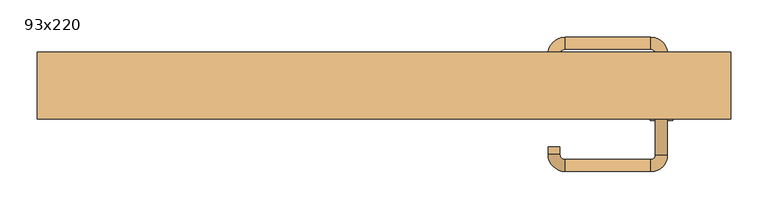
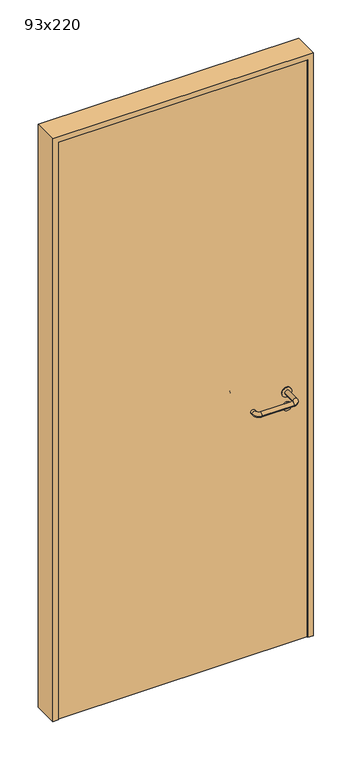
"""IFC4 building model written with IfcOpenShell, lengths in millimetres: door geometry, 93x220."""

from ifc_helpers import new_model, si_unit, point, frame, frame_2d, origin, origin_with_axes, place, context, project, spatial, polyline, circle_curve, ellipse_curve, trimmed, segment, composite_curve, outline, extrude, source, transform, mapped, element, save
from ifc_brep_helpers import plane_surface, cylinder_surface, revolved_surface, advanced_brep


def door_93x220_f017c5f7(model_context):
    return source(origin(), model_context, "Body", "SolidModel", [
        extrude(outline(composite_curve([segment(trimmed(circle_curve(frame_2d((897.3605726, 372.0)), 15.0), [point((897.3605726, 387.0))], [point((897.3605726, 357.0))], False, "CARTESIAN"), True, "CONTINUOUS"), segment(trimmed(circle_curve(frame_2d((897.3605726, 372.0)), 15.0), [point((897.3605726, 357.0))], [point((897.3605726, 387.0))], False, "CARTESIAN"), True, "CONTINUOUS")], self_intersect=False), holes=[composite_curve([segment(trimmed(circle_curve(frame_2d((892.5833211, 371.9398032)), 2.0), [point((892.5833211, 373.9398032))], [point((892.5833211, 369.9398032))], True, "CARTESIAN"), True, "CONTINUOUS"), segment(polyline([(892.5833211, 369.9398032), (902.5833211, 369.9398032)]), True, "CONTINUOUS"), segment(trimmed(circle_curve(frame_2d((902.5833211, 371.9398032)), 2.0), [point((902.5833211, 369.9398032))], [point((902.5833211, 373.9398032))], True, "CARTESIAN"), True, "CONTINUOUS"), segment(polyline([(902.5833211, 373.9398032), (892.5833211, 373.9398032)]), True, "CONTINUOUS")], self_intersect=False)]), frame((0.0, -15.0, 0.0), z_axis=(0.0, 1.0, 0.0), x_axis=(0.0, 0.0, 1.0)), (0.0, 0.0, 1.0), 6.35),
        extrude(outline(composite_curve([segment(trimmed(circle_curve(frame_2d((950.0, 372.0)), 17.526), [point((950.0, 389.526))], [point((950.0, 354.474))], False, "CARTESIAN"), True, "CONTINUOUS"), segment(trimmed(circle_curve(frame_2d((950.0, 372.0)), 17.526), [point((950.0, 354.474))], [point((950.0, 389.526))], False, "CARTESIAN"), True, "CONTINUOUS")], self_intersect=False)), frame((0.0, -15.0, 0.0), z_axis=(0.0, 1.0, 0.0), x_axis=(0.0, 0.0, 1.0)), (0.0, 0.0, 1.0), 3.175),
        advanced_brep(
        [(380.0, -15.0, 950.0), (364.0, -15.0, 950.0), (380.0, 38.0, 950.0), (364.0, 38.0, 950.0), (357.8578644, 44.1421356, 950.0), (357.8578644, 60.1421356, 950.0), (242.8578644, 60.1421356, 950.0), (242.8578644, 44.1421356, 950.0), (236.008622, 37.2928932, 950.0), (220.008622, 37.2928932, 950.0), (220.008622, 27.2928932, 950.0), (236.008622, 27.2928932, 950.0)],
        [
            (0, 1, circle_curve(frame((372.0, -15.0, 950.0), z_axis=(0.0, -1.0, 0.0), x_axis=(-1.0, 0.0, 0.0)), 8.0)),
            (1, 0, circle_curve(frame((372.0, -15.0, 950.0), z_axis=(0.0, -1.0, 0.0), x_axis=(-1.0, 0.0, 0.0)), 8.0)),
            (0, 2),
            (2, 3, circle_curve(frame((372.0, 38.0, 950.0), z_axis=(0.0, -1.0, 0.0), x_axis=(-1.0, 0.0, 0.0)), 8.0)),
            (3, 1),
            (3, 2, circle_curve(frame((372.0, 38.0, 950.0), z_axis=(0.0, -1.0, 0.0), x_axis=(-1.0, 0.0, 0.0)), 8.0)),
            (4, 3, circle_curve(frame((357.8578644, 38.0, 950.0), z_axis=(0.0, 0.0, -1.0), x_axis=(1.0, 0.0, 0.0)), 6.1421356)),
            (2, 5, circle_curve(frame((357.8578644, 38.0, 950.0), z_axis=(0.0, 0.0, 1.0), x_axis=(1.0, 0.0, 0.0)), 22.1421356)),
            (5, 4, circle_curve(frame((357.8578644, 52.1421356, 950.0), z_axis=(1.0, 0.0, 0.0), x_axis=(0.0, -1.0, 0.0)), 8.0)),
            (4, 5, circle_curve(frame((357.8578644, 52.1421356, 950.0), z_axis=(1.0, 0.0, 0.0), x_axis=(0.0, -1.0, 0.0)), 8.0)),
            (5, 6),
            (6, 7, circle_curve(frame((242.8578644, 52.1421356, 950.0), z_axis=(1.0, 0.0, 0.0), x_axis=(0.0, -1.0, 0.0)), 8.0)),
            (7, 4),
            (7, 6, circle_curve(frame((242.8578644, 52.1421356, 950.0), z_axis=(1.0, 0.0, 0.0), x_axis=(0.0, -1.0, 0.0)), 8.0)),
            (8, 7, circle_curve(frame((242.8578644, 37.2928932, 950.0), z_axis=(0.0, 0.0, -1.0), x_axis=(0.0, 1.0, 0.0)), 6.8492424)),
            (6, 9, circle_curve(frame((242.8578644, 37.2928932, 950.0), z_axis=(0.0, 0.0, 1.0), x_axis=(0.0, 1.0, 0.0)), 22.8492424)),
            (9, 8, circle_curve(frame((228.008622, 37.2928932, 950.0), z_axis=(0.0, 1.0, 0.0), x_axis=(1.0, 0.0, 0.0)), 8.0)),
            (8, 9, circle_curve(frame((228.008622, 37.2928932, 950.0), z_axis=(0.0, 1.0, 0.0), x_axis=(1.0, 0.0, 0.0)), 8.0)),
            (10, 11, circle_curve(frame((228.008622, 27.2928932, 950.0), z_axis=(0.0, -1.0, 0.0), x_axis=(1.0, 0.0, 0.0)), 8.0)),
            (11, 10, circle_curve(frame((228.008622, 27.2928932, 950.0), z_axis=(0.0, -1.0, 0.0), x_axis=(1.0, 0.0, 0.0)), 8.0)),
            (9, 10),
            (11, 8),
        ],
        [
            plane_surface(frame((372.0, -15.0, 0.0), z_axis=(0.0, -1.0, 0.0), x_axis=(0.0, 0.0, 1.0))),
            cylinder_surface(frame((372.0, -15.0, 950.0), z_axis=(0.0, -1.0, 0.0), x_axis=(-1.0, 0.0, 0.0)), 8.0),
            revolved_surface(trimmed(ellipse_curve(frame((372.0, 38.0, 950.0), z_axis=(0.0, -1.0, 0.0), x_axis=(-1.0, 0.0, 0.0)), 8.0, 8.0), [point((380.0, 38.0, 950.0))], [point((364.0, 38.0, 950.0))], True, "CARTESIAN"), (357.8578644, 38.0, 0.0), (0.0, 0.0, 1.0)),
            revolved_surface(trimmed(ellipse_curve(frame((372.0, 38.0, 950.0), z_axis=(0.0, -1.0, 0.0), x_axis=(-1.0, 0.0, 0.0)), 8.0, 8.0), [point((364.0, 38.0, 950.0))], [point((380.0, 38.0, 950.0))], True, "CARTESIAN"), (357.8578644, 38.0, 0.0), (0.0, 0.0, 1.0)),
            cylinder_surface(frame((357.8578644, 52.1421356, 950.0), z_axis=(1.0, 0.0, 0.0), x_axis=(0.0, -1.0, 0.0)), 8.0),
            revolved_surface(trimmed(ellipse_curve(frame((242.8578644, 52.1421356, 950.0), z_axis=(1.0, 0.0, 0.0), x_axis=(0.0, -1.0, 0.0)), 8.0, 8.0), [point((242.8578644, 60.1421356, 950.0))], [point((242.8578644, 44.1421356, 950.0))], True, "CARTESIAN"), (242.8578644, 37.2928932, 0.0), (0.0, 0.0, 1.0)),
            revolved_surface(trimmed(ellipse_curve(frame((242.8578644, 52.1421356, 950.0), z_axis=(1.0, 0.0, 0.0), x_axis=(0.0, -1.0, 0.0)), 8.0, 8.0), [point((242.8578644, 44.1421356, 950.0))], [point((242.8578644, 60.1421356, 950.0))], True, "CARTESIAN"), (242.8578644, 37.2928932, 0.0), (0.0, 0.0, 1.0)),
            plane_surface(frame((228.008622, 27.2928932, 0.0), z_axis=(0.0, -1.0, 0.0), x_axis=(0.0, 0.0, 1.0))),
            cylinder_surface(frame((228.008622, 37.2928932, 950.0), z_axis=(0.0, 1.0, 0.0), x_axis=(1.0, 0.0, 0.0)), 8.0),
        ],
        [
            (0, [[1, 2]]),
            (1, [[-1, 3, 4, 5]]),
            (1, [[-2, -5, 6, -3]]),
            (2, [[7, -4, 8, 9]]),
            (3, [[-8, -6, -7, 10]]),
            (4, [[-9, 11, 12, 13]]),
            (4, [[-10, -13, 14, -11]]),
            (5, [[15, -12, 16, 17]]),
            (6, [[-16, -14, -15, 18]]),
            (7, [[19, 20]]),
            (8, [[-17, 21, -20, 22]]),
            (8, [[-18, -22, -19, -21]]),
        ],
    ),
        extrude(outline(composite_curve([segment(trimmed(circle_curve(frame_2d((0.0, 15.0)), 15.0), [point((0.0, 30.0))], [point((0.0, 0.0))], False, "CARTESIAN"), True, "CONTINUOUS"), segment(trimmed(circle_curve(frame_2d((0.0, 15.0)), 15.0), [point((0.0, 0.0))], [point((0.0, 30.0))], False, "CARTESIAN"), True, "CONTINUOUS")], self_intersect=False), holes=[composite_curve([segment(trimmed(circle_curve(frame_2d((-4.7772515, 14.9398032)), 2.0), [point((-4.7772515, 16.9398032))], [point((-4.7772515, 12.9398032))], True, "CARTESIAN"), True, "CONTINUOUS"), segment(polyline([(-4.7772515, 12.9398032), (5.2227485, 12.9398032)]), True, "CONTINUOUS"), segment(trimmed(circle_curve(frame_2d((5.2227485, 14.9398032)), 2.0), [point((5.2227485, 12.9398032))], [point((5.2227485, 16.9398032))], True, "CARTESIAN"), True, "CONTINUOUS"), segment(polyline([(5.2227485, 16.9398032), (-4.7772515, 16.9398032)]), True, "CONTINUOUS")], self_intersect=False)]), frame((357.0, -51.35, 897.3605726), z_axis=(-1.8870575173328306e-12, 1.0, 0.0), x_axis=(0.0, 0.0, 1.0)), (0.0, 0.0, 1.0), 6.35),
        extrude(outline(composite_curve([segment(trimmed(circle_curve(frame_2d((0.0, 17.526)), 17.526), [point((0.0, 35.052))], [point((0.0, 0.0))], False, "CARTESIAN"), True, "CONTINUOUS"), segment(trimmed(circle_curve(frame_2d((0.0, 17.526)), 17.526), [point((0.0, 0.0))], [point((0.0, 35.052))], False, "CARTESIAN"), True, "CONTINUOUS")], self_intersect=False)), frame((354.474, -48.175, 950.0), z_axis=(-1.8870575173328306e-12, 1.0, 0.0), x_axis=(0.0, 0.0, 1.0)), (0.0, 0.0, 1.0), 3.175),
        advanced_brep(
        [(380.0, -45.0, 950.0), (364.0, -45.0, 950.0), (364.0, -98.0, 950.0), (380.0, -98.0, 950.0), (357.8578644, -104.1421356, 950.0), (357.8578644, -120.1421356, 950.0), (242.8578644, -104.1421356, 950.0), (242.8578644, -120.1421356, 950.0), (236.008622, -97.2928932, 950.0), (220.008622, -97.2928932, 950.0), (220.008622, -87.2928932, 950.0), (236.008622, -87.2928932, 950.0)],
        [
            (0, 1, circle_curve(frame((372.0, -45.0, 950.0), z_axis=(-1.888672253512351e-12, 1.0, 0.0), x_axis=(-1.0, -1.888672253512351e-12, 0.0)), 8.0)),
            (1, 0, circle_curve(frame((372.0, -45.0, 950.0), z_axis=(-1.888672253512351e-12, 1.0, 0.0), x_axis=(-1.0, -1.888672253512351e-12, 0.0)), 8.0)),
            (1, 2),
            (2, 3, circle_curve(frame((372.0, -98.0, 950.0), z_axis=(-1.888672253512351e-12, 1.0, 0.0), x_axis=(-1.0, -1.888672253512351e-12, 0.0)), 8.0)),
            (3, 0),
            (3, 2, circle_curve(frame((372.0, -98.0, 950.0), z_axis=(-1.888672253512351e-12, 1.0, 0.0), x_axis=(-1.0, -1.888672253512351e-12, 0.0)), 8.0)),
            (4, 5, circle_curve(frame((357.8578644, -112.1421356, 950.0), z_axis=(1.0, 1.913702061528922e-12, 0.0), x_axis=(-1.913702061528922e-12, 1.0, 0.0)), 8.0)),
            (5, 3, circle_curve(frame((357.8578644, -98.0, 950.0), z_axis=(0.0, 0.0, 1.0), x_axis=(1.0, 1.880717803715015e-12, 0.0)), 22.1421356)),
            (2, 4, circle_curve(frame((357.8578644, -98.0, 950.0), z_axis=(0.0, 0.0, -1.0), x_axis=(1.0, 1.880717803715015e-12, 0.0)), 6.1421356)),
            (5, 4, circle_curve(frame((357.8578644, -112.1421356, 950.0), z_axis=(1.0, 1.913702061528922e-12, 0.0), x_axis=(-1.913702061528922e-12, 1.0, 0.0)), 8.0)),
            (4, 6),
            (6, 7, circle_curve(frame((242.8578644, -112.1421356, 950.0), z_axis=(1.0, 1.913719828541269e-12, 0.0), x_axis=(-1.913719828541269e-12, 1.0, 0.0)), 8.0)),
            (7, 5),
            (7, 6, circle_curve(frame((242.8578644, -112.1421356, 950.0), z_axis=(1.0, 1.913719828541269e-12, 0.0), x_axis=(-1.913719828541269e-12, 1.0, 0.0)), 8.0)),
            (8, 9, circle_curve(frame((228.008622, -97.2928932, 950.0), z_axis=(1.8888942981172756e-12, -1.0, 0.0), x_axis=(1.0, 1.8888942981172756e-12, 0.0)), 8.0)),
            (9, 7, circle_curve(frame((242.8578644, -97.2928932, 950.0), z_axis=(0.0, 0.0, 1.0), x_axis=(1.9120873253494017e-12, -1.0, 0.0)), 22.8492424)),
            (6, 8, circle_curve(frame((242.8578644, -97.2928932, 950.0), z_axis=(0.0, 0.0, -1.0), x_axis=(1.9120873253494017e-12, -1.0, 0.0)), 6.8492424)),
            (9, 8, circle_curve(frame((228.008622, -97.2928932, 950.0), z_axis=(1.890448610351751e-12, -1.0, 0.0), x_axis=(1.0, 1.890448610351751e-12, 0.0)), 8.0)),
            (10, 11, circle_curve(frame((228.008622, -87.2928932, 950.0), z_axis=(-1.8903642334018795e-12, 1.0, 0.0), x_axis=(1.0, 1.8903642334018795e-12, 0.0)), 8.0)),
            (11, 10, circle_curve(frame((228.008622, -87.2928932, 950.0), z_axis=(-1.8903642334018795e-12, 1.0, 0.0), x_axis=(1.0, 1.8903642334018795e-12, 0.0)), 8.0)),
            (8, 11),
            (10, 9),
        ],
        [
            plane_surface(frame((372.0, -45.0, 0.0), z_axis=(-1.8870575173328306e-12, 1.0, 0.0), x_axis=(0.0, 0.0, 1.0))),
            cylinder_surface(frame((372.0, -45.0, 950.0), z_axis=(-1.888672253512351e-12, 1.0, 0.0), x_axis=(-1.0, -1.888672253512351e-12, 0.0)), 8.0),
            revolved_surface(trimmed(ellipse_curve(frame((372.0, -98.0, 950.0), z_axis=(1.8823325398945356e-12, -1.0, 0.0), x_axis=(-1.0, -1.8823325398945356e-12, 0.0)), 8.0, 8.0), [point((380.0, -98.0, 950.0))], [point((364.0, -98.0, 950.0))], True, "CARTESIAN"), (357.8578644, -98.0, 0.0), (0.0, 0.0, 1.0)),
            revolved_surface(trimmed(ellipse_curve(frame((372.0, -98.0, 950.0), z_axis=(1.8823325398945356e-12, -1.0, 0.0), x_axis=(-1.0, -1.8823325398945356e-12, 0.0)), 8.0, 8.0), [point((364.0, -98.0, 950.0))], [point((380.0, -98.0, 950.0))], True, "CARTESIAN"), (357.8578644, -98.0, 0.0), (0.0, 0.0, 1.0)),
            cylinder_surface(frame((357.8578644, -112.1421356, 950.0), z_axis=(1.0, 1.913719828541269e-12, 0.0), x_axis=(-1.913719828541269e-12, 1.0, 0.0)), 8.0),
            revolved_surface(trimmed(ellipse_curve(frame((242.8578644, -112.1421356, 950.0), z_axis=(-1.0, -1.913702061528922e-12, 0.0), x_axis=(-1.913702061528922e-12, 1.0, 0.0)), 8.0, 8.0), [point((242.8578644, -120.1421356, 950.0))], [point((242.8578644, -104.1421356, 950.0))], True, "CARTESIAN"), (242.8578644, -97.2928932, 0.0), (0.0, 0.0, 1.0)),
            revolved_surface(trimmed(ellipse_curve(frame((242.8578644, -112.1421356, 950.0), z_axis=(-1.0, -1.913702061528922e-12, 0.0), x_axis=(-1.913702061528922e-12, 1.0, 0.0)), 8.0, 8.0), [point((242.8578644, -104.1421356, 950.0))], [point((242.8578644, -120.1421356, 950.0))], True, "CARTESIAN"), (242.8578644, -97.2928932, 0.0), (0.0, 0.0, 1.0)),
            plane_surface(frame((228.008622, -87.2928932, 0.0), z_axis=(-1.8887494972223595e-12, 1.0, 0.0), x_axis=(0.0, 0.0, 1.0))),
            cylinder_surface(frame((228.008622, -97.2928932, 950.0), z_axis=(1.8903642334018795e-12, -1.0, 0.0), x_axis=(1.0, 1.8903642334018795e-12, 0.0)), 8.0),
        ],
        [
            (0, [[1, 2]]),
            (1, [[3, 4, 5, -2]]),
            (1, [[-5, 6, -3, -1]]),
            (2, [[7, 8, -4, 9]]),
            (3, [[10, -9, -6, -8]]),
            (4, [[11, 12, 13, -7]]),
            (4, [[-13, 14, -11, -10]]),
            (5, [[15, 16, -12, 17]]),
            (6, [[18, -17, -14, -16]]),
            (7, [[19, 20]]),
            (8, [[21, -19, 22, -15]]),
            (8, [[-22, -20, -21, -18]]),
        ],
    ),
        extrude(outline(polyline([(2180.0, 445.0), (0.0, 445.0), (0.0, 465.0), (2200.0, 465.0), (2200.0, -465.0), (0.0, -465.0), (0.0, -445.0), (2180.0, -445.0), (2180.0, 445.0)])), frame((0.0, -50.0, 0.0), z_axis=(0.0, 1.0, 0.0), x_axis=(0.0, 0.0, 1.0)), (0.0, 0.0, 1.0), 90.0),
        extrude(outline(polyline([(-445.0, -45.0), (-445.0, -15.0), (445.0, -15.0), (445.0, -45.0), (-445.0, -45.0)])), origin_with_axes(), (0.0, 0.0, 1.0), 2180.0),
    ])


if __name__ == "__main__":
    model = new_model("IFC4")
    model_context = context("Model", 3, world=origin())
    ifc_project = project(units=[si_unit("LENGTHUNIT", "METRE", prefix="MILLI")], contexts=[model_context])
    site = spatial("IfcSite", under=ifc_project)
    building = spatial("IfcBuilding", under=site)
    placement = place(None, origin())
    door_93x220_shape = door_93x220_f017c5f7(model_context)
    element("IfcDoor", 1, ObjectType="93x220", at=placement, inside=building, context=model_context, shape_type="MappedRepresentation", body=[
        mapped(door_93x220_shape, transform((0.0, 0.0, 0.0), x_axis=(1.0, 0.0, 0.0), y_axis=(0.0, 1.0, 0.0), z_axis=(0.0, 0.0, 1.0))),
    ])
    save(model, "model.ifc")
